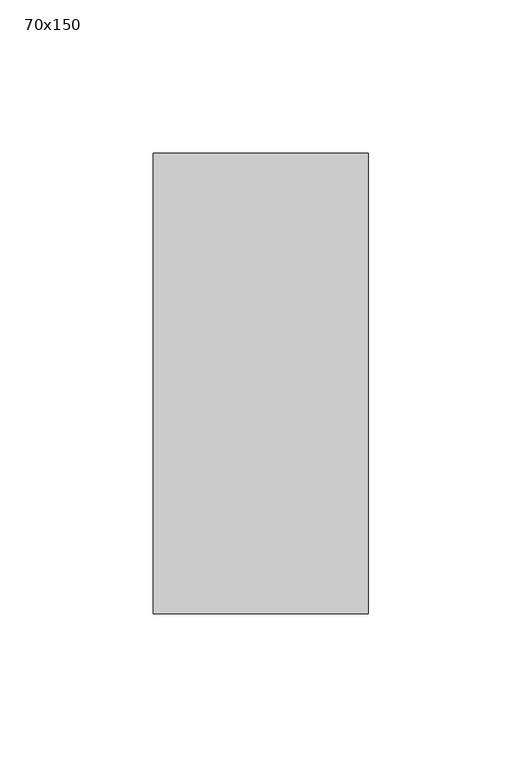
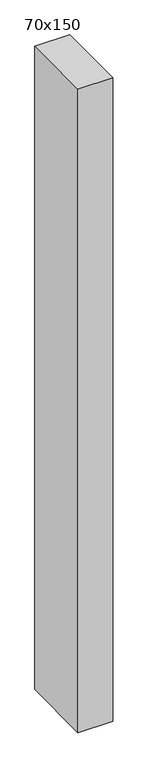
"""IFC4 building model written with IfcOpenShell, lengths in millimetres: member geometry, 70x150."""

from ifc_helpers import new_model, si_unit, frame, origin, place, context, project, spatial, polyline, outline, extrude, source, transform, mapped, element, save


def member_70x150_f786e354(model_context):
    return source(origin(), model_context, "Body", "SweptSolid", [
        extrude(outline(polyline([(-75.0, -0.0683941), (75.0, 0.0683941), (75.0, -1370.7674467), (-75.0, -1372.445633), (-75.0, -0.0683941)])), frame((-70.0, 0.0, 0.0), z_axis=(1.0, 0.0, 0.0), x_axis=(0.0, 1.0, 0.0)), (0.0, 0.0, 1.0), 70.0),
    ])


if __name__ == "__main__":
    model = new_model("IFC4")
    model_context = context("Model", 3, world=origin())
    ifc_project = project(units=[si_unit("LENGTHUNIT", "METRE", prefix="MILLI")], contexts=[model_context])
    site = spatial("IfcSite", under=ifc_project)
    building = spatial("IfcBuilding", under=site)
    placement = place(None, origin())
    member_70x150_shape = member_70x150_f786e354(model_context)
    element("IfcMember", 1, ObjectType="70x150", at=placement, inside=building, context=model_context, shape_type="MappedRepresentation", body=[
        mapped(member_70x150_shape, transform((0.0, 0.0, 0.0), x_axis=(1.0, 0.0, 0.0), y_axis=(0.0, 1.0, 0.0), z_axis=(0.0, 0.0, 1.0))),
    ])
    save(model, "model.ifc")
